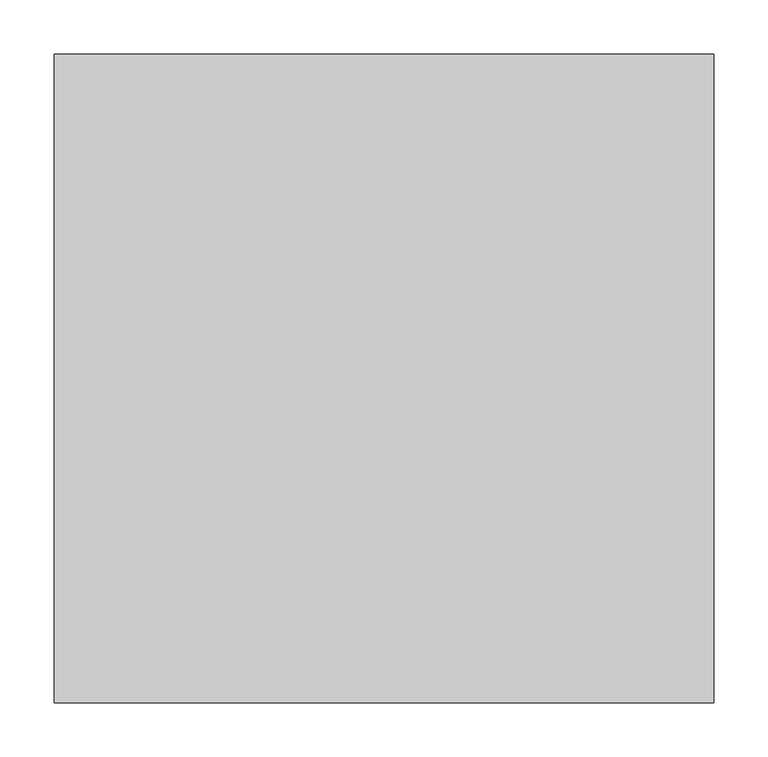
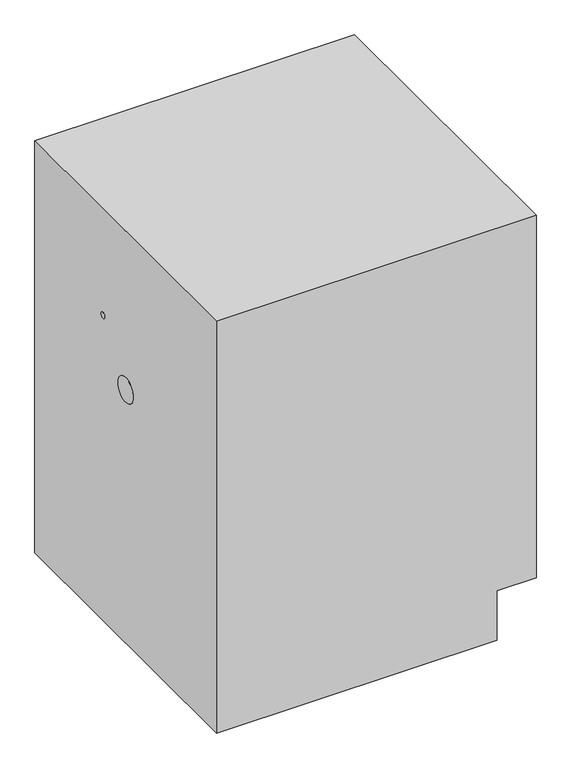
"""IFC4 building model written with IfcOpenShell, lengths in millimetres: proxy geometry."""

from ifc_helpers import new_model, si_unit, point, frame, frame_2d, origin, place, context, project, spatial, polyline, circle_curve, trimmed, segment, composite_curve, outline, extrude, source, transform, mapped, element, save


def mechanical_equipment_3e0b65c2(model_context):
    return source(origin(), model_context, "Body", "SweptSolid", [
        extrude(outline(composite_curve([segment(trimmed(circle_curve(frame_2d((0.0, 510.0)), 25.0), [point((-25.0, 510.0))], [point((25.0, 510.0))], False, "CARTESIAN"), True, "CONTINUOUS"), segment(trimmed(circle_curve(frame_2d((0.0, 510.0)), 25.0), [point((25.0, 510.0))], [point((-25.0, 510.0))], False, "CARTESIAN"), True, "CONTINUOUS")], self_intersect=False)), frame((0.0, 0.0, 0.0), z_axis=(1.0, 0.0, 0.0), x_axis=(0.0, 1.0, 0.0)), (0.0, 0.0, 1.0), 5.0),
        extrude(outline(composite_curve([segment(trimmed(circle_curve(frame_2d((75.0, 615.0)), 6.0), [point((69.0, 615.0))], [point((81.0, 615.0))], False, "CARTESIAN"), True, "CONTINUOUS"), segment(trimmed(circle_curve(frame_2d((75.0, 615.0)), 6.0), [point((81.0, 615.0))], [point((69.0, 615.0))], False, "CARTESIAN"), True, "CONTINUOUS")], self_intersect=False)), frame((0.0, 0.0, 0.0), z_axis=(1.0, 0.0, 0.0), x_axis=(0.0, 1.0, 0.0)), (0.0, 0.0, 1.0), 5.0),
        extrude(outline(polyline([(0.0, 535.0), (100.0, 535.0), (100.0, 610.0), (830.0, 610.0), (830.0, 0.0), (0.0, 0.0), (0.0, 535.0)])), frame((0.0, -300.0, 0.0), z_axis=(0.0, 1.0, 0.0), x_axis=(0.0, 0.0, 1.0)), (0.0, 0.0, 1.0), 600.0),
    ])


if __name__ == "__main__":
    model = new_model("IFC4")
    model_context = context("Model", 3, world=origin())
    ifc_project = project(units=[si_unit("LENGTHUNIT", "METRE", prefix="MILLI")], contexts=[model_context])
    site = spatial("IfcSite", under=ifc_project)
    building = spatial("IfcBuilding", under=site)
    placement = place(None, origin())
    mechanical_equipment_shape = mechanical_equipment_3e0b65c2(model_context)
    element("IfcBuildingElementProxy", 1, Name="Mechanical Equipment", at=placement, inside=building, context=model_context, shape_type="MappedRepresentation", body=[
        mapped(mechanical_equipment_shape, transform((0.0, 0.0, 0.0), x_axis=(1.0, 0.0, 0.0), y_axis=(0.0, 1.0, 0.0), z_axis=(0.0, 0.0, 1.0))),
    ])
    save(model, "model.ifc")
